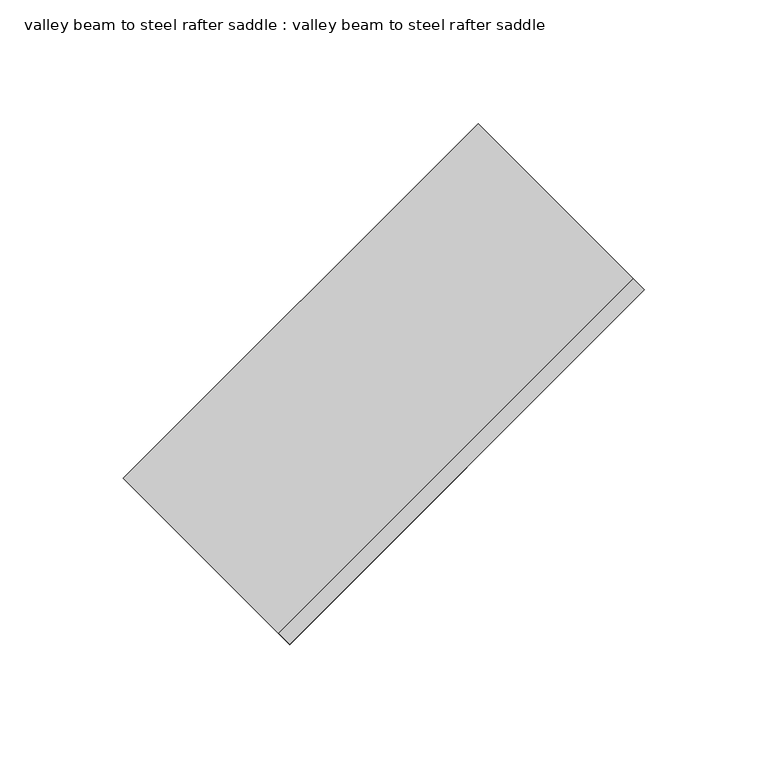
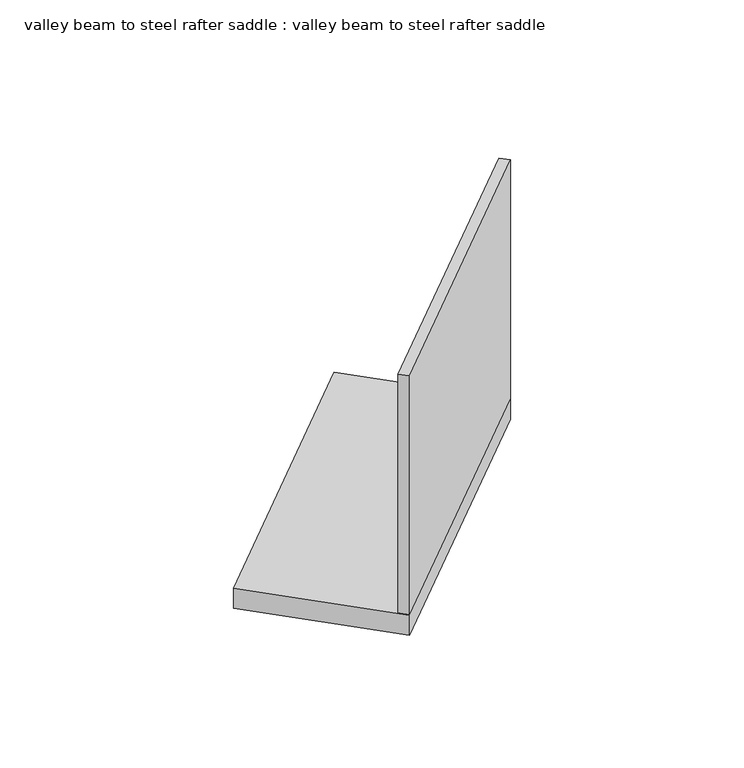
"""IFC4 building model written with IfcOpenShell, lengths in millimetres: fastener geometry, valley beam to steel rafter saddle : valley beam to steel rafter saddle."""

from ifc_helpers import new_model, si_unit, frame, origin, place, context, project, spatial, polyline, outline, extrude, source, transform, mapped, element, save


def valley_beam_to_steel_rafter_saddle_valley_beam_to_steel_60ca407b(model_context):
    return source(origin(), model_context, "Body", "SweptSolid", [
        extrude(outline(polyline([(4923.8167155, 5185.8241985), (4780.1326175, 5042.1401006), (4712.7806966, 5109.4920215), (4856.4647946, 5253.1761194), (4923.8167155, 5185.8241985)])), frame((0.0, 0.0, 189.8375146), z_axis=(0.0, 0.0, 1.0), x_axis=(1.0, 0.0, 0.0)), (0.0, 0.0, 1.0), 12.7),
        extrude(outline(polyline([(4923.8167155, 5185.8241985), (4780.1326175, 5042.1401006), (4775.6424895, 5046.6302286), (4919.3265874, 5190.3143266), (4923.8167155, 5185.8241985)])), frame((0.0, 0.0, 202.5375146), z_axis=(0.0, 0.0, 1.0), x_axis=(1.0, 0.0, 0.0)), (0.0, 0.0, 1.0), 152.4),
    ])


if __name__ == "__main__":
    model = new_model("IFC4")
    model_context = context("Model", 3, world=origin())
    ifc_project = project(units=[si_unit("LENGTHUNIT", "METRE", prefix="MILLI")], contexts=[model_context])
    site = spatial("IfcSite", under=ifc_project)
    building = spatial("IfcBuilding", under=site)
    placement = place(None, origin())
    valley_beam_to_steel_rafter_saddle_valley_beam_to_steel_shape = valley_beam_to_steel_rafter_saddle_valley_beam_to_steel_60ca407b(model_context)
    element("IfcFastener", 1, ObjectType="valley beam to steel rafter saddle : valley beam to steel rafter saddle", at=placement, inside=building, context=model_context, shape_type="MappedRepresentation", body=[
        mapped(valley_beam_to_steel_rafter_saddle_valley_beam_to_steel_shape, transform((0.0, 0.0, 0.0), x_axis=(1.0, 0.0, 0.0), y_axis=(0.0, 1.0, 0.0), z_axis=(0.0, 0.0, 1.0))),
    ])
    save(model, "model.ifc")
